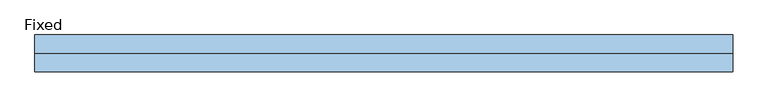
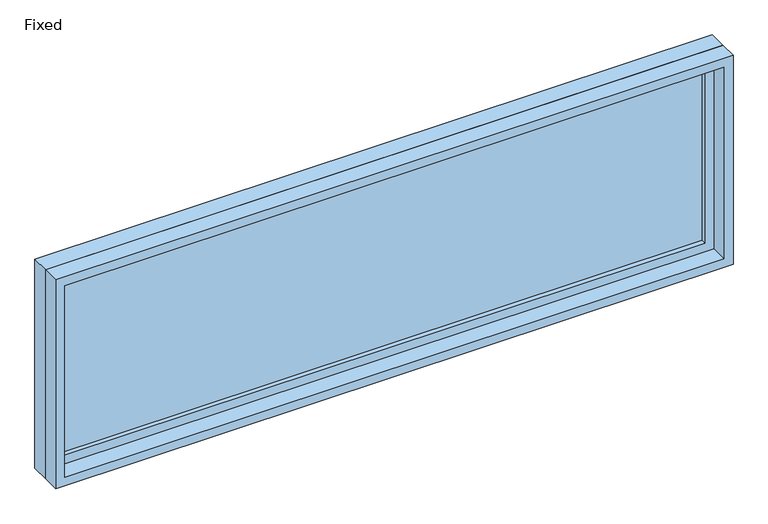
"""IFC4 building model written with IfcOpenShell, lengths in millimetres: window geometry, Fixed."""

from ifc_helpers import new_model, si_unit, frame, origin, place, context, project, spatial, polyline, outline, extrude, source, transform, mapped, element, save


def fixed_4ac27742(model_context):
    return source(origin(), model_context, "Body", "SweptSolid", [
        extrude(outline(polyline([(1066.8, 14.2875), (-1143.0, 14.2875), (-1143.0, 26.9875), (1066.8, 26.9875), (1066.8, 14.2875)])), frame((0.0, 0.0, 1130.3), z_axis=(0.0, 0.0, 1.0), x_axis=(1.0, 0.0, 0.0)), (0.0, 0.0, 1.0), 635.0),
        extrude(outline(polyline([(1809.75, -1187.45), (1085.85, -1187.45), (1085.85, 1111.25), (1809.75, 1111.25), (1809.75, -1187.45)]), holes=[polyline([(1765.3, -1143.0), (1765.3, 1066.8), (1130.3, 1066.8), (1130.3, -1143.0), (1765.3, -1143.0)])]), frame((0.0, -1.5875, 0.0), z_axis=(0.0, 1.0, 0.0), x_axis=(0.0, 0.0, 1.0)), (0.0, 0.0, 1.0), 44.45),
        extrude(outline(polyline([(1828.8, -1206.5), (1066.8, -1206.5), (1066.8, 1130.3), (1828.8, 1130.3), (1828.8, -1206.5)]), holes=[polyline([(1797.05, -1174.75), (1797.05, 1098.55), (1098.55, 1098.55), (1098.55, -1174.75), (1797.05, -1174.75)])]), frame((0.0, -61.9125, 0.0), z_axis=(0.0, 1.0, 0.0), x_axis=(0.0, 0.0, 1.0)), (0.0, 0.0, 1.0), 60.325),
        extrude(outline(polyline([(1828.8, 1130.3), (1828.8, -1206.5), (1066.8, -1206.5), (1066.8, 1130.3), (1828.8, 1130.3)]), holes=[polyline([(1809.75, 1111.25), (1085.85, 1111.25), (1085.85, -1187.45), (1809.75, -1187.45), (1809.75, 1111.25)])]), frame((0.0, -1.5875, 0.0), z_axis=(0.0, 1.0, 0.0), x_axis=(0.0, 0.0, 1.0)), (0.0, 0.0, 1.0), 63.5),
    ])


if __name__ == "__main__":
    model = new_model("IFC4")
    model_context = context("Model", 3, world=origin())
    ifc_project = project(units=[si_unit("LENGTHUNIT", "METRE", prefix="MILLI")], contexts=[model_context])
    site = spatial("IfcSite", under=ifc_project)
    building = spatial("IfcBuilding", under=site)
    placement = place(None, origin())
    fixed_shape = fixed_4ac27742(model_context)
    element("IfcWindow", 1, ObjectType="Fixed", at=placement, inside=building, context=model_context, shape_type="MappedRepresentation", body=[
        mapped(fixed_shape, transform((0.0, 0.0, 0.0), x_axis=(1.0, 0.0, 0.0), y_axis=(0.0, 1.0, 0.0), z_axis=(0.0, 0.0, 1.0))),
    ])
    save(model, "model.ifc")
